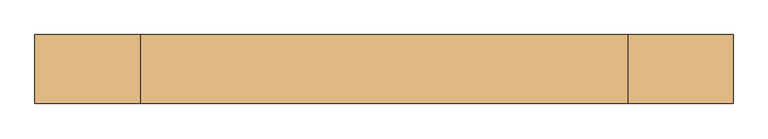
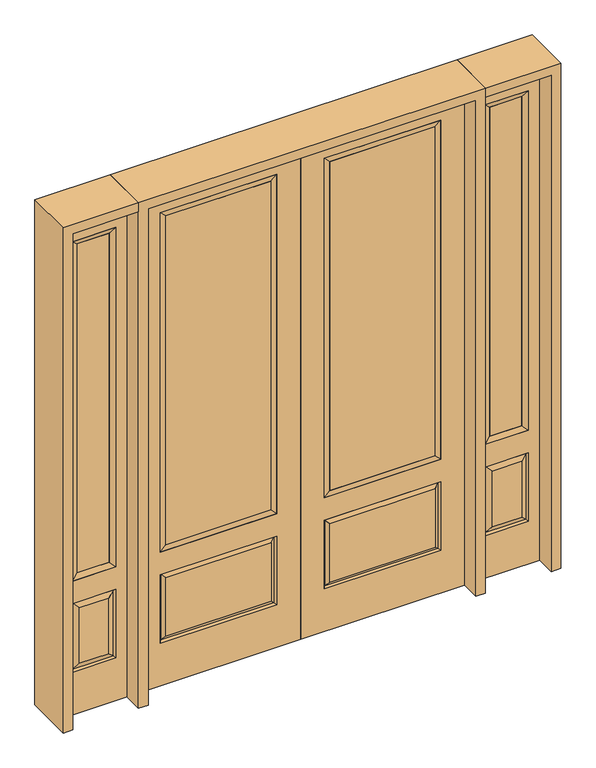
"""IFC4 building model written with IfcOpenShell, lengths in millimetres: door geometry."""

from ifc_helpers import new_model, si_unit, frame, origin, place, context, project, spatial, polyline, outline, extrude, faceted_brep, source, transform, mapped, element, save


def door_92598fee(model_context):
    return source(origin(), model_context, "Body", "SolidModel", [
        extrude(outline(polyline([(136.525, -20.32), (136.525, 5.08), (625.475, 5.08), (625.475, -20.32), (136.525, -20.32)])), frame((0.0, 0.0, 682.498), z_axis=(0.0, 0.0, 1.0), x_axis=(1.0, 0.0, 0.0)), (0.0, 0.0, 1.0), 1616.202),
        faceted_brep([(643.7661499, -12.7912373, 216.6588501), (626.26875, -22.225, 234.15625), (135.73125, -22.225, 234.15625), (118.2338501, -12.7912373, 216.6588501), (111.125, -22.225, 209.55), (650.875, -22.225, 209.55), (650.875, -22.225, 546.1), (643.7661499, -12.7912373, 538.9911499), (0.0, -22.225, 2438.4), (0.0, -22.225, 0.0), (762.0, -22.225, 0.0), (762.0, -22.225, 2438.4), (111.125, -22.225, 546.1), (111.125, -22.225, 2324.1), (650.875, -22.225, 2324.1), (650.875, -22.225, 657.098), (111.125, -22.225, 657.098), (626.26875, -22.225, 521.49375), (135.73125, -22.225, 521.49375), (118.2338501, -12.7912373, 538.9911499), (762.0, 22.225, 0.0), (762.0, 22.225, 2438.4), (0.0, 22.225, 0.0), (0.0, 22.225, 2438.4), (111.125, 22.225, 657.098), (111.125, 22.225, 2324.1), (650.875, 22.225, 657.098), (650.875, 22.225, 2324.1), (135.73125, 22.225, 234.15625), (135.73125, 22.225, 521.49375), (626.26875, 22.225, 521.49375), (626.26875, 22.225, 234.15625), (650.875, 22.225, 209.55), (650.875, 22.225, 546.1), (111.125, 22.225, 546.1), (111.125, 22.225, 209.55), (118.2338501, 12.7912373, 216.6588501), (643.7661499, 12.7912373, 216.6588501), (118.2338501, 12.7912373, 538.9911499), (643.7661499, 12.7912373, 538.9911499)], [[[0, 1, 2, 3]], [[3, 4, 5, 0]], [[5, 6, 7, 0]], [[8, 9, 10, 11], [4, 12, 6, 5], [13, 14, 15, 16]], [[1, 17, 18, 2]], [[3, 19, 12, 4]], [[2, 18, 19, 3]], [[0, 7, 17, 1]], [[6, 12, 19, 7]], [[7, 19, 18, 17]], [[10, 20, 21, 11]], [[9, 22, 20, 10]], [[8, 23, 22, 9]], [[16, 24, 25, 13]], [[15, 26, 24, 16]], [[14, 27, 26, 15]], [[28, 29, 30, 31]], [[23, 21, 20, 22], [25, 24, 26, 27], [32, 33, 34, 35]], [[32, 35, 36, 37]], [[35, 34, 38, 36]], [[39, 38, 34, 33]], [[37, 39, 33, 32]], [[36, 28, 31, 37]], [[31, 30, 39, 37]], [[30, 29, 38, 39]], [[36, 38, 29, 28]], [[11, 21, 23, 8]], [[13, 25, 27, 14]]]),
        faceted_brep([(650.875, -22.225, 2324.1), (650.875, -22.225, 657.098), (650.875, 22.225, 657.098), (650.875, 22.225, 2324.1), (111.125, -22.225, 657.098), (111.125, 22.225, 657.098), (136.525, 5.08, 682.498), (625.475, 5.08, 682.498), (111.125, -22.225, 2324.1), (111.125, 22.225, 2324.1), (625.475, -20.32, 682.498), (136.525, -20.32, 682.498), (625.475, -20.32, 2298.7), (136.525, -20.32, 2298.7), (625.475, 5.08, 2298.7), (136.525, 5.08, 2298.7)], [[[0, 1, 2, 3]], [[1, 4, 5, 2]], [[2, 5, 6, 7]], [[4, 8, 9, 5]], [[10, 11, 4, 1]], [[12, 10, 1, 0]], [[11, 13, 8, 4]], [[7, 6, 11, 10]], [[14, 7, 10, 12]], [[6, 15, 13, 11]], [[3, 2, 7, 14]], [[5, 9, 15, 6]], [[8, 0, 3, 9]], [[13, 12, 0, 8]], [[15, 14, 12, 13]], [[9, 3, 14, 15]]]),
        faceted_brep([(806.45, -22.225, 0.0), (1111.25, -22.225, 0.0), (1111.25, -22.225, 2438.4), (806.45, -22.225, 2438.4), (1059.18, -22.225, 2325.624), (1059.18, -22.225, 657.098), (858.52, -22.225, 657.098), (858.52, -22.225, 2325.624), (1059.18, -22.225, 209.55), (858.52, -22.225, 209.55), (858.52, -22.225, 546.1), (1059.18, -22.225, 546.1), (890.2351001, -22.225, 241.2651001), (1027.4648999, -22.225, 241.2651001), (1027.4648999, -22.225, 514.3848999), (890.2351001, -22.225, 514.3848999), (806.45, 22.225, 0.0), (806.45, 22.225, 2438.4), (1111.25, 22.225, 2438.4), (1111.25, 22.225, 0.0), (1059.18, 22.225, 2325.624), (858.52, 22.225, 2325.624), (858.52, 22.225, 657.098), (1059.18, 22.225, 657.098), (858.52, 22.225, 209.55), (1059.18, 22.225, 209.55), (1059.18, 22.225, 546.1), (858.52, 22.225, 546.1), (1027.4648999, 22.225, 241.2651001), (890.2351001, 22.225, 241.2651001), (890.2351001, 22.225, 514.3848999), (1027.4648999, 22.225, 514.3848999), (1052.0711499, 12.7912373, 216.6588501), (865.6288501, 12.7912373, 216.6588501), (865.6288501, 12.7912373, 538.9911499), (1052.0711499, 12.7912373, 538.9911499), (865.6288501, -12.7912373, 216.6588501), (1052.0711499, -12.7912373, 216.6588501), (865.6288501, -12.7912373, 538.9911499), (1052.0711499, -12.7912373, 538.9911499)], [[[0, 1, 2, 3], [4, 5, 6, 7], [8, 9, 10, 11]], [[12, 13, 14, 15]], [[16, 17, 18, 19], [20, 21, 22, 23], [24, 25, 26, 27]], [[28, 29, 30, 31]], [[1, 0, 16, 19]], [[2, 1, 19, 18]], [[3, 2, 18, 17]], [[0, 3, 17, 16]], [[5, 4, 20, 23]], [[6, 5, 23, 22]], [[7, 6, 22, 21]], [[4, 7, 21, 20]], [[32, 33, 29, 28]], [[33, 32, 25, 24]], [[29, 33, 34, 30]], [[33, 24, 27, 34]], [[30, 34, 35, 31]], [[34, 27, 26, 35]], [[32, 28, 31, 35]], [[25, 32, 35, 26]], [[12, 36, 37, 13]], [[37, 36, 9, 8]], [[36, 12, 15, 38]], [[9, 36, 38, 10]], [[38, 15, 14, 39]], [[10, 38, 39, 11]], [[13, 37, 39, 14]], [[37, 8, 11, 39]]]),
        faceted_brep([(858.52, 22.225, 2325.624), (858.52, -22.225, 2325.624), (1059.18, -22.225, 2325.624), (1059.18, 22.225, 2325.624), (883.92, 12.7, 2300.224), (1033.78, 12.7, 2300.224), (883.92, -12.7, 2300.224), (1033.78, -12.7, 2300.224), (1059.18, -22.225, 657.098), (1059.18, 22.225, 657.098), (1033.78, 12.7, 682.498), (1033.78, -12.7, 682.498), (858.52, -22.225, 657.098), (858.52, 22.225, 657.098), (883.92, 12.7, 682.498), (883.92, -12.7, 682.498)], [[[0, 1, 2, 3]], [[4, 0, 3, 5]], [[6, 4, 5, 7]], [[1, 6, 7, 2]], [[3, 2, 8, 9]], [[5, 3, 9, 10]], [[7, 5, 10, 11]], [[2, 7, 11, 8]], [[9, 8, 12, 13]], [[10, 9, 13, 14]], [[11, 10, 14, 15]], [[8, 11, 15, 12]], [[13, 12, 1, 0]], [[14, 13, 0, 4]], [[15, 14, 4, 6]], [[12, 15, 6, 1]]]),
        extrude(outline(polyline([(1033.78, -12.7), (883.92, -12.7), (883.92, 12.7), (1033.78, 12.7), (1033.78, -12.7)])), frame((0.0, 0.0, 682.498), z_axis=(0.0, 0.0, 1.0), x_axis=(1.0, 0.0, 0.0)), (0.0, 0.0, 1.0), 1617.726),
        faceted_brep([(-1111.25, -22.225, 0.0), (-806.45, -22.225, 0.0), (-806.45, -22.225, 2438.4), (-1111.25, -22.225, 2438.4), (-858.52, -22.225, 2325.624), (-858.52, -22.225, 657.098), (-1059.18, -22.225, 657.098), (-1059.18, -22.225, 2325.624), (-858.52, -22.225, 209.55), (-1059.18, -22.225, 209.55), (-1059.18, -22.225, 546.1), (-858.52, -22.225, 546.1), (-1027.4648999, -22.225, 241.2651001), (-890.2351001, -22.225, 241.2651001), (-890.2351001, -22.225, 514.3848999), (-1027.4648999, -22.225, 514.3848999), (-1111.25, 22.225, 0.0), (-1111.25, 22.225, 2438.4), (-806.45, 22.225, 2438.4), (-806.45, 22.225, 0.0), (-858.52, 22.225, 2325.624), (-1059.18, 22.225, 2325.624), (-1059.18, 22.225, 657.098), (-858.52, 22.225, 657.098), (-1059.18, 22.225, 209.55), (-858.52, 22.225, 209.55), (-858.52, 22.225, 546.1), (-1059.18, 22.225, 546.1), (-890.2351001, 22.225, 241.2651001), (-1027.4648999, 22.225, 241.2651001), (-1027.4648999, 22.225, 514.3848999), (-890.2351001, 22.225, 514.3848999), (-865.6288501, 12.7912373, 216.6588501), (-1052.0711499, 12.7912373, 216.6588501), (-1052.0711499, 12.7912373, 538.9911499), (-865.6288501, 12.7912373, 538.9911499), (-1052.0711499, -12.7912373, 216.6588501), (-865.6288501, -12.7912373, 216.6588501), (-1052.0711499, -12.7912373, 538.9911499), (-865.6288501, -12.7912373, 538.9911499)], [[[0, 1, 2, 3], [4, 5, 6, 7], [8, 9, 10, 11]], [[12, 13, 14, 15]], [[16, 17, 18, 19], [20, 21, 22, 23], [24, 25, 26, 27]], [[28, 29, 30, 31]], [[1, 0, 16, 19]], [[2, 1, 19, 18]], [[3, 2, 18, 17]], [[0, 3, 17, 16]], [[5, 4, 20, 23]], [[6, 5, 23, 22]], [[7, 6, 22, 21]], [[4, 7, 21, 20]], [[32, 33, 29, 28]], [[33, 32, 25, 24]], [[29, 33, 34, 30]], [[33, 24, 27, 34]], [[30, 34, 35, 31]], [[34, 27, 26, 35]], [[32, 28, 31, 35]], [[25, 32, 35, 26]], [[12, 36, 37, 13]], [[37, 36, 9, 8]], [[36, 12, 15, 38]], [[9, 36, 38, 10]], [[38, 15, 14, 39]], [[10, 38, 39, 11]], [[13, 37, 39, 14]], [[37, 8, 11, 39]]]),
        faceted_brep([(-1059.18, 22.225, 2325.624), (-1059.18, -22.225, 2325.624), (-858.52, -22.225, 2325.624), (-858.52, 22.225, 2325.624), (-1033.78, 12.7, 2300.224), (-883.92, 12.7, 2300.224), (-1033.78, -12.7, 2300.224), (-883.92, -12.7, 2300.224), (-858.52, -22.225, 657.098), (-858.52, 22.225, 657.098), (-883.92, 12.7, 682.498), (-883.92, -12.7, 682.498), (-1059.18, -22.225, 657.098), (-1059.18, 22.225, 657.098), (-1033.78, 12.7, 682.498), (-1033.78, -12.7, 682.498)], [[[0, 1, 2, 3]], [[4, 0, 3, 5]], [[6, 4, 5, 7]], [[1, 6, 7, 2]], [[3, 2, 8, 9]], [[5, 3, 9, 10]], [[7, 5, 10, 11]], [[2, 7, 11, 8]], [[9, 8, 12, 13]], [[10, 9, 13, 14]], [[11, 10, 14, 15]], [[8, 11, 15, 12]], [[13, 12, 1, 0]], [[14, 13, 0, 4]], [[15, 14, 4, 6]], [[12, 15, 6, 1]]]),
        extrude(outline(polyline([(-883.92, -12.7), (-1033.78, -12.7), (-1033.78, 12.7), (-883.92, 12.7), (-883.92, -12.7)])), frame((0.0, 0.0, 682.498), z_axis=(0.0, 0.0, 1.0), x_axis=(1.0, 0.0, 0.0)), (0.0, 0.0, 1.0), 1617.726),
        extrude(outline(polyline([(-136.525, -20.32), (-625.475, -20.32), (-625.475, 5.08), (-136.525, 5.08), (-136.525, -20.32)])), frame((0.0, 0.0, 682.498), z_axis=(0.0, 0.0, 1.0), x_axis=(1.0, 0.0, 0.0)), (0.0, 0.0, 1.0), 1616.202),
        faceted_brep([(-643.7661499, -12.7912373, 216.6588501), (-118.2338501, -12.7912373, 216.6588501), (-135.73125, -22.225, 234.15625), (-626.26875, -22.225, 234.15625), (-650.875, -22.225, 209.55), (-111.125, -22.225, 209.55), (-643.7661499, -12.7912373, 538.9911499), (-650.875, -22.225, 546.1), (-135.73125, -22.225, 521.49375), (-626.26875, -22.225, 521.49375), (0.0, -22.225, 2438.4), (-762.0, -22.225, 2438.4), (-762.0, -22.225, 0.0), (0.0, -22.225, 0.0), (-111.125, -22.225, 546.1), (-111.125, -22.225, 2324.1), (-111.125, -22.225, 657.098), (-650.875, -22.225, 657.098), (-650.875, -22.225, 2324.1), (-118.2338501, -12.7912373, 538.9911499), (-762.0, 22.225, 2438.4), (-762.0, 22.225, 0.0), (0.0, 22.225, 0.0), (0.0, 22.225, 2438.4), (-111.125, 22.225, 2324.1), (-111.125, 22.225, 657.098), (-650.875, 22.225, 657.098), (-650.875, 22.225, 2324.1), (-650.875, 22.225, 209.55), (-111.125, 22.225, 209.55), (-111.125, 22.225, 546.1), (-650.875, 22.225, 546.1), (-135.73125, 22.225, 234.15625), (-626.26875, 22.225, 234.15625), (-626.26875, 22.225, 521.49375), (-135.73125, 22.225, 521.49375), (-643.7661499, 12.7912373, 216.6588501), (-118.2338501, 12.7912373, 216.6588501), (-118.2338501, 12.7912373, 538.9911499), (-643.7661499, 12.7912373, 538.9911499)], [[[0, 1, 2, 3]], [[1, 0, 4, 5]], [[4, 0, 6, 7]], [[3, 2, 8, 9]], [[10, 11, 12, 13], [5, 4, 7, 14], [15, 16, 17, 18]], [[1, 5, 14, 19]], [[2, 1, 19, 8]], [[0, 3, 9, 6]], [[7, 6, 19, 14]], [[6, 9, 8, 19]], [[12, 11, 20, 21]], [[13, 12, 21, 22]], [[10, 13, 22, 23]], [[16, 15, 24, 25]], [[17, 16, 25, 26]], [[18, 17, 26, 27]], [[23, 22, 21, 20], [28, 29, 30, 31], [24, 27, 26, 25]], [[32, 33, 34, 35]], [[28, 36, 37, 29]], [[29, 37, 38, 30]], [[39, 31, 30, 38]], [[36, 28, 31, 39]], [[37, 36, 33, 32]], [[33, 36, 39, 34]], [[34, 39, 38, 35]], [[37, 32, 35, 38]], [[11, 10, 23, 20]], [[15, 18, 27, 24]]]),
        faceted_brep([(-650.875, -22.225, 2324.1), (-650.875, 22.225, 2324.1), (-650.875, 22.225, 657.098), (-650.875, -22.225, 657.098), (-111.125, 22.225, 657.098), (-111.125, -22.225, 657.098), (-625.475, 5.08, 682.498), (-136.525, 5.08, 682.498), (-111.125, 22.225, 2324.1), (-111.125, -22.225, 2324.1), (-625.475, -20.32, 682.498), (-136.525, -20.32, 682.498), (-625.475, -20.32, 2298.7), (-136.525, -20.32, 2298.7), (-625.475, 5.08, 2298.7), (-136.525, 5.08, 2298.7)], [[[0, 1, 2, 3]], [[3, 2, 4, 5]], [[2, 6, 7, 4]], [[5, 4, 8, 9]], [[10, 3, 5, 11]], [[12, 0, 3, 10]], [[11, 5, 9, 13]], [[6, 10, 11, 7]], [[14, 12, 10, 6]], [[7, 11, 13, 15]], [[1, 14, 6, 2]], [[4, 7, 15, 8]], [[9, 8, 1, 0]], [[13, 9, 0, 12]], [[15, 13, 12, 14]], [[8, 15, 14, 1]]]),
        extrude(outline(polyline([(2438.4, -806.45), (2482.85, -806.45), (2482.85, -1155.7), (0.0, -1155.7), (0.0, -1111.25), (2438.4, -1111.25), (2438.4, -806.45)])), frame((0.0, -114.3, 0.0), z_axis=(0.0, 1.0, 0.0), x_axis=(0.0, 0.0, 1.0)), (0.0, 0.0, 1.0), 228.6),
        extrude(outline(polyline([(2482.85, -806.45), (0.0, -806.45), (0.0, -762.0), (2438.4, -762.0), (2438.4, 762.0), (0.0, 762.0), (0.0, 806.45), (2482.85, 806.45), (2482.85, -806.45)])), frame((0.0, -114.3, 0.0), z_axis=(0.0, 1.0, 0.0), x_axis=(0.0, 0.0, 1.0)), (0.0, 0.0, 1.0), 228.6),
        extrude(outline(polyline([(0.0, 1111.25), (0.0, 1155.7), (2482.85, 1155.7), (2482.85, 806.45), (2438.4, 806.45), (2438.4, 1111.25), (0.0, 1111.25)])), frame((0.0, -114.3, 0.0), z_axis=(0.0, 1.0, 0.0), x_axis=(0.0, 0.0, 1.0)), (0.0, 0.0, 1.0), 228.6),
    ])


if __name__ == "__main__":
    model = new_model("IFC4")
    model_context = context("Model", 3, world=origin())
    ifc_project = project(units=[si_unit("LENGTHUNIT", "METRE", prefix="MILLI")], contexts=[model_context])
    site = spatial("IfcSite", under=ifc_project)
    building = spatial("IfcBuilding", under=site)
    placement = place(None, origin())
    door_shape = door_92598fee(model_context)
    element("IfcDoor", 1, at=placement, inside=building, context=model_context, shape_type="MappedRepresentation", body=[
        mapped(door_shape, transform((0.0, 0.0, 0.0), x_axis=(1.0, 0.0, 0.0), y_axis=(0.0, 1.0, 0.0), z_axis=(0.0, 0.0, 1.0))),
    ])
    save(model, "model.ifc")
